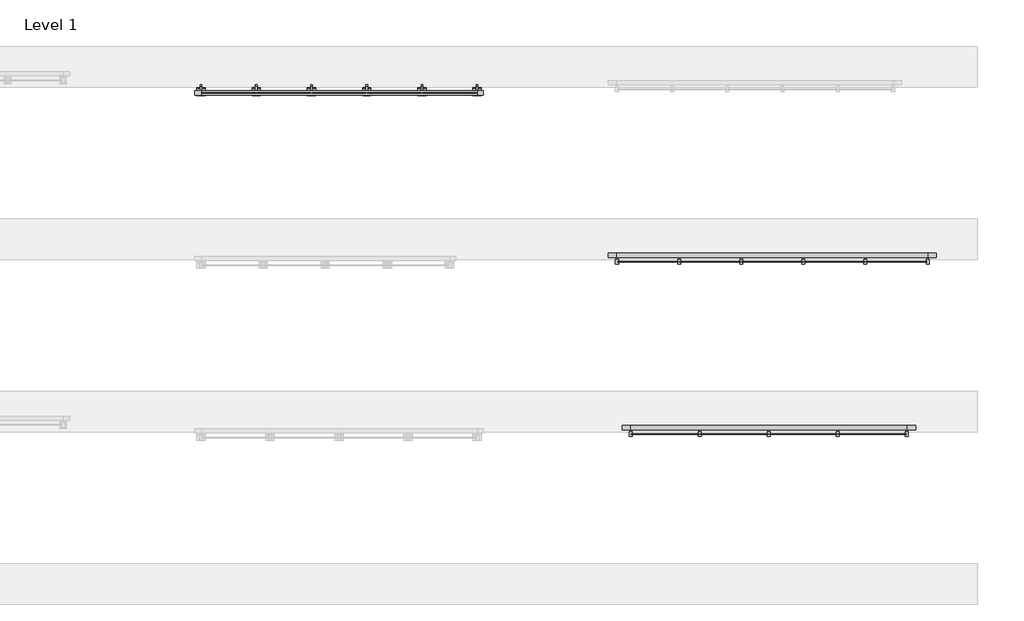
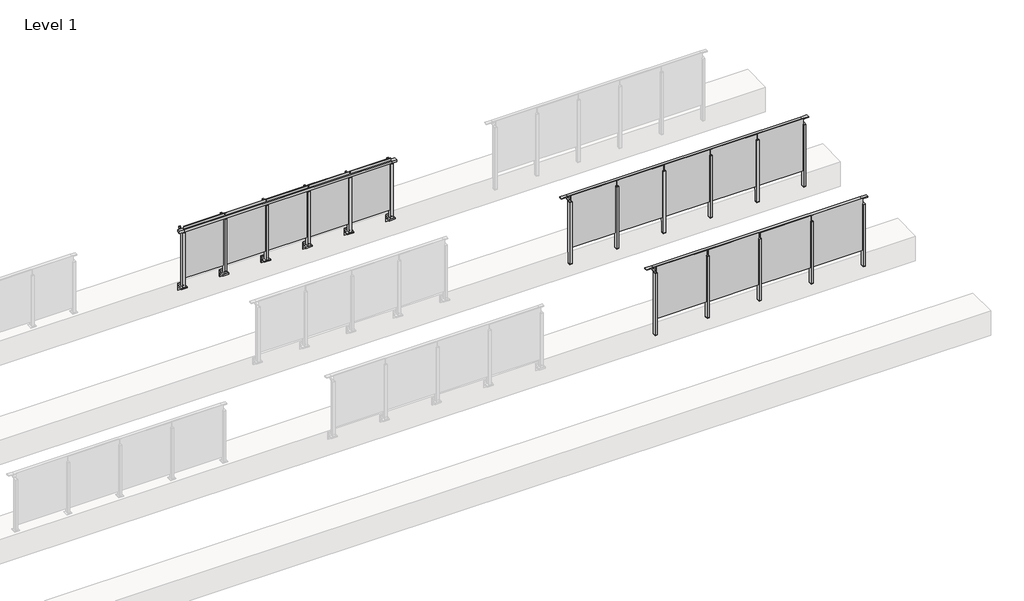
# One storey, part 34 of 37: 3 railings.
"""IFC4 building model written with IfcOpenShell, lengths in millimetres."""

from ifc_helpers import new_model, si_unit, point, frame, frame_2d, origin, place, context, project, spatial, polyline, circle_curve, trimmed, segment, composite_curve, outline, extrude, faceted_brep, element, save

model = new_model("IFC4")

# Units and contexts
model_context = context("Model", 3, world=origin())
ifc_project = project(units=[si_unit("LENGTHUNIT", "METRE", prefix="MILLI")], contexts=[model_context])

# Site, building, storey
site = spatial("IfcSite", under=ifc_project)
building = spatial("IfcBuilding", under=site)
storey = spatial("IfcBuildingStorey", under=building, Name="Level 1", Elevation=0.0)

# Railings
placement = place(None, origin())
element("IfcRailing", 1, at=placement, inside=storey, context=model_context, shape_type="SolidModel", body=[
    faceted_brep([(78227.0, 17493.1846828, 1085.0), (78227.0, 17493.1846828, 1100.0), (82227.0, 17493.1846828, 1100.0), (82227.0, 17493.1846828, 1085.0), (78227.0, 17433.1846828, 1085.0), (82227.0, 17433.1846828, 1085.0), (78227.0, 17433.1846828, 1100.0), (82227.0, 17433.1846828, 1100.0), (78099.5, 17493.1846828, 1100.0), (78099.5, 17493.1846828, 1085.0), (78099.5, 17433.1846828, 1085.0), (78099.5, 17433.1846828, 1100.0), (82354.5, 17493.1846828, 1100.0), (82354.5, 17433.1846828, 1100.0), (82354.5, 17433.1846828, 1085.0), (82354.5, 17493.1846828, 1085.0)], [[[0, 1, 2, 3]], [[4, 0, 3, 5]], [[6, 4, 5, 7]], [[1, 6, 7, 2]], [[8, 9, 10, 11]], [[9, 8, 1, 0]], [[10, 9, 0, 4]], [[11, 10, 4, 6]], [[8, 11, 6, 1]], [[12, 13, 14, 15]], [[3, 2, 12, 15]], [[5, 3, 15, 14]], [[7, 5, 14, 13]], [[2, 7, 13, 12]]]),
    extrude(outline(polyline([(81237.0, 17361.9094929), (81237.0, 17371.9094929), (82217.0, 17371.9094929), (82217.0, 17361.9094929), (81237.0, 17361.9094929)])), frame((0.0, 0.0, 95.0), z_axis=(0.0, 0.0, 1.0), x_axis=(1.0, 0.0, 0.0)), (0.0, 0.0, 1.0), 1055.0),
    extrude(outline(composite_curve([segment(polyline([(17488.1846828, 1085.0), (17488.1846828, 1060.900037)]), True, "CONTINUOUS"), segment(trimmed(circle_curve(frame_2d((17478.1846828, 1060.900037)), 10.0), [point((17488.1846828, 1060.900037))], [point((17480.7728733, 1051.2407787))], False, "CARTESIAN"), True, "CONTINUOUS"), segment(polyline([(17480.7728733, 1051.2407787), (17423.7244733, 1035.9547061)]), True, "CONTINUOUS"), segment(trimmed(circle_curve(frame_2d((17426.3126638, 1026.2954478)), 10.0), [point((17423.7244733, 1035.9547061))], [point((17416.3982152, 1027.6007097))], True, "CARTESIAN"), True, "CONTINUOUS"), segment(polyline([(17416.3982152, 1027.6007097), (17411.791393, 992.6084214)]), True, "CONTINUOUS"), segment(trimmed(circle_curve(frame_2d((17408.8170584, 993.0)), 3.0), [point((17411.791393, 992.6084214))], [point((17408.8170584, 990.0))], False, "CARTESIAN"), True, "CONTINUOUS"), segment(polyline([(17408.8170584, 990.0), (17400.1846828, 990.0), (17400.1846828, 1040.0), (17464.1846828, 1057.1487483), (17464.1846828, 1085.0), (17488.1846828, 1085.0)]), True, "CONTINUOUS")], self_intersect=False)), frame((81214.5, 0.0, 0.0), z_axis=(1.0, 0.0, 0.0), x_axis=(0.0, 1.0, 0.0)), (0.0, 0.0, 1.0), 25.0),
    extrude(outline(polyline([(81249.5, 17400.1846828), (81249.5, 17335.1846828), (81204.5, 17335.1846828), (81204.5, 17400.1846828), (81249.5, 17400.1846828)])), frame((0.0, 0.0, 1040.0), z_axis=(0.0, 0.0, 1.0), x_axis=(1.0, 0.0, 0.0)), (0.0, 0.0, 1.0), 5.0),
    extrude(outline(polyline([(81249.5, 17400.1846828), (81249.5, 17335.1846828), (81204.5, 17335.1846828), (81204.5, 17400.1846828), (81249.5, 17400.1846828)])), frame((0.0, 0.0, -212.0), z_axis=(0.0, 0.0, 1.0), x_axis=(1.0, 0.0, 0.0)), (0.0, 0.0, 1.0), 1252.0),
    extrude(outline(polyline([(81249.5, 17400.1846828), (81249.5, 17335.1846828), (81204.5, 17335.1846828), (81204.5, 17400.1846828), (81249.5, 17400.1846828)])), frame((0.0, 0.0, -220.0), z_axis=(0.0, 0.0, 1.0), x_axis=(1.0, 0.0, 0.0)), (0.0, 0.0, 1.0), 8.0),
    extrude(outline(polyline([(80237.0, 17361.9094929), (80237.0, 17371.9094929), (81217.0, 17371.9094929), (81217.0, 17361.9094929), (80237.0, 17361.9094929)])), frame((0.0, 0.0, 95.0), z_axis=(0.0, 0.0, 1.0), x_axis=(1.0, 0.0, 0.0)), (0.0, 0.0, 1.0), 1055.0),
    extrude(outline(composite_curve([segment(polyline([(17488.1846828, 1085.0), (17488.1846828, 1060.900037)]), True, "CONTINUOUS"), segment(trimmed(circle_curve(frame_2d((17478.1846828, 1060.900037)), 10.0), [point((17488.1846828, 1060.900037))], [point((17480.7728733, 1051.2407787))], False, "CARTESIAN"), True, "CONTINUOUS"), segment(polyline([(17480.7728733, 1051.2407787), (17423.7244733, 1035.9547061)]), True, "CONTINUOUS"), segment(trimmed(circle_curve(frame_2d((17426.3126638, 1026.2954478)), 10.0), [point((17423.7244733, 1035.9547061))], [point((17416.3982152, 1027.6007097))], True, "CARTESIAN"), True, "CONTINUOUS"), segment(polyline([(17416.3982152, 1027.6007097), (17411.791393, 992.6084214)]), True, "CONTINUOUS"), segment(trimmed(circle_curve(frame_2d((17408.8170584, 993.0)), 3.0), [point((17411.791393, 992.6084214))], [point((17408.8170584, 990.0))], False, "CARTESIAN"), True, "CONTINUOUS"), segment(polyline([(17408.8170584, 990.0), (17400.1846828, 990.0), (17400.1846828, 1040.0), (17464.1846828, 1057.1487483), (17464.1846828, 1085.0), (17488.1846828, 1085.0)]), True, "CONTINUOUS")], self_intersect=False)), frame((80214.5, 0.0, 0.0), z_axis=(1.0, 0.0, 0.0), x_axis=(0.0, 1.0, 0.0)), (0.0, 0.0, 1.0), 25.0),
    extrude(outline(polyline([(80249.5, 17400.1846828), (80249.5, 17335.1846828), (80204.5, 17335.1846828), (80204.5, 17400.1846828), (80249.5, 17400.1846828)])), frame((0.0, 0.0, 1040.0), z_axis=(0.0, 0.0, 1.0), x_axis=(1.0, 0.0, 0.0)), (0.0, 0.0, 1.0), 5.0),
    extrude(outline(polyline([(80249.5, 17400.1846828), (80249.5, 17335.1846828), (80204.5, 17335.1846828), (80204.5, 17400.1846828), (80249.5, 17400.1846828)])), frame((0.0, 0.0, -212.0), z_axis=(0.0, 0.0, 1.0), x_axis=(1.0, 0.0, 0.0)), (0.0, 0.0, 1.0), 1252.0),
    extrude(outline(polyline([(80249.5, 17400.1846828), (80249.5, 17335.1846828), (80204.5, 17335.1846828), (80204.5, 17400.1846828), (80249.5, 17400.1846828)])), frame((0.0, 0.0, -220.0), z_axis=(0.0, 0.0, 1.0), x_axis=(1.0, 0.0, 0.0)), (0.0, 0.0, 1.0), 8.0),
    extrude(outline(polyline([(79237.0, 17361.9094929), (79237.0, 17371.9094929), (80217.0, 17371.9094929), (80217.0, 17361.9094929), (79237.0, 17361.9094929)])), frame((0.0, 0.0, 95.0), z_axis=(0.0, 0.0, 1.0), x_axis=(1.0, 0.0, 0.0)), (0.0, 0.0, 1.0), 1055.0),
    extrude(outline(composite_curve([segment(polyline([(17488.1846828, 1085.0), (17488.1846828, 1060.900037)]), True, "CONTINUOUS"), segment(trimmed(circle_curve(frame_2d((17478.1846828, 1060.900037)), 10.0), [point((17488.1846828, 1060.900037))], [point((17480.7728733, 1051.2407787))], False, "CARTESIAN"), True, "CONTINUOUS"), segment(polyline([(17480.7728733, 1051.2407787), (17423.7244733, 1035.9547061)]), True, "CONTINUOUS"), segment(trimmed(circle_curve(frame_2d((17426.3126638, 1026.2954478)), 10.0), [point((17423.7244733, 1035.9547061))], [point((17416.3982152, 1027.6007097))], True, "CARTESIAN"), True, "CONTINUOUS"), segment(polyline([(17416.3982152, 1027.6007097), (17411.791393, 992.6084214)]), True, "CONTINUOUS"), segment(trimmed(circle_curve(frame_2d((17408.8170584, 993.0)), 3.0), [point((17411.791393, 992.6084214))], [point((17408.8170584, 990.0))], False, "CARTESIAN"), True, "CONTINUOUS"), segment(polyline([(17408.8170584, 990.0), (17400.1846828, 990.0), (17400.1846828, 1040.0), (17464.1846828, 1057.1487483), (17464.1846828, 1085.0), (17488.1846828, 1085.0)]), True, "CONTINUOUS")], self_intersect=False)), frame((79214.5, 0.0, 0.0), z_axis=(1.0, 0.0, 0.0), x_axis=(0.0, 1.0, 0.0)), (0.0, 0.0, 1.0), 25.0),
    extrude(outline(polyline([(79249.5, 17400.1846828), (79249.5, 17335.1846828), (79204.5, 17335.1846828), (79204.5, 17400.1846828), (79249.5, 17400.1846828)])), frame((0.0, 0.0, 1040.0), z_axis=(0.0, 0.0, 1.0), x_axis=(1.0, 0.0, 0.0)), (0.0, 0.0, 1.0), 5.0),
    extrude(outline(polyline([(79249.5, 17400.1846828), (79249.5, 17335.1846828), (79204.5, 17335.1846828), (79204.5, 17400.1846828), (79249.5, 17400.1846828)])), frame((0.0, 0.0, -212.0), z_axis=(0.0, 0.0, 1.0), x_axis=(1.0, 0.0, 0.0)), (0.0, 0.0, 1.0), 1252.0),
    extrude(outline(polyline([(79249.5, 17400.1846828), (79249.5, 17335.1846828), (79204.5, 17335.1846828), (79204.5, 17400.1846828), (79249.5, 17400.1846828)])), frame((0.0, 0.0, -220.0), z_axis=(0.0, 0.0, 1.0), x_axis=(1.0, 0.0, 0.0)), (0.0, 0.0, 1.0), 8.0),
    extrude(outline(polyline([(78237.0, 17361.9094929), (78237.0, 17371.9094929), (79217.0, 17371.9094929), (79217.0, 17361.9094929), (78237.0, 17361.9094929)])), frame((0.0, 0.0, 95.0), z_axis=(0.0, 0.0, 1.0), x_axis=(1.0, 0.0, 0.0)), (0.0, 0.0, 1.0), 1055.0),
    extrude(outline(composite_curve([segment(polyline([(17488.1846828, 1085.0), (17488.1846828, 1060.900037)]), True, "CONTINUOUS"), segment(trimmed(circle_curve(frame_2d((17478.1846828, 1060.900037)), 10.0), [point((17488.1846828, 1060.900037))], [point((17480.7728733, 1051.2407787))], False, "CARTESIAN"), True, "CONTINUOUS"), segment(polyline([(17480.7728733, 1051.2407787), (17423.7244733, 1035.9547061)]), True, "CONTINUOUS"), segment(trimmed(circle_curve(frame_2d((17426.3126638, 1026.2954478)), 10.0), [point((17423.7244733, 1035.9547061))], [point((17416.3982152, 1027.6007097))], True, "CARTESIAN"), True, "CONTINUOUS"), segment(polyline([(17416.3982152, 1027.6007097), (17411.791393, 992.6084214)]), True, "CONTINUOUS"), segment(trimmed(circle_curve(frame_2d((17408.8170584, 993.0)), 3.0), [point((17411.791393, 992.6084214))], [point((17408.8170584, 990.0))], False, "CARTESIAN"), True, "CONTINUOUS"), segment(polyline([(17408.8170584, 990.0), (17400.1846828, 990.0), (17400.1846828, 1040.0), (17464.1846828, 1057.1487483), (17464.1846828, 1085.0), (17488.1846828, 1085.0)]), True, "CONTINUOUS")], self_intersect=False)), frame((82214.5, 0.0, 0.0), z_axis=(1.0, 0.0, 0.0), x_axis=(0.0, 1.0, 0.0)), (0.0, 0.0, 1.0), 25.0),
    extrude(outline(polyline([(82249.5, 17400.1846828), (82249.5, 17335.1846828), (82204.5, 17335.1846828), (82204.5, 17400.1846828), (82249.5, 17400.1846828)])), frame((0.0, 0.0, 1040.0), z_axis=(0.0, 0.0, 1.0), x_axis=(1.0, 0.0, 0.0)), (0.0, 0.0, 1.0), 5.0),
    extrude(outline(polyline([(82249.5, 17400.1846828), (82249.5, 17335.1846828), (82204.5, 17335.1846828), (82204.5, 17400.1846828), (82249.5, 17400.1846828)])), frame((0.0, 0.0, -212.0), z_axis=(0.0, 0.0, 1.0), x_axis=(1.0, 0.0, 0.0)), (0.0, 0.0, 1.0), 1252.0),
    extrude(outline(polyline([(82249.5, 17400.1846828), (82249.5, 17335.1846828), (82204.5, 17335.1846828), (82204.5, 17400.1846828), (82249.5, 17400.1846828)])), frame((0.0, 0.0, -220.0), z_axis=(0.0, 0.0, 1.0), x_axis=(1.0, 0.0, 0.0)), (0.0, 0.0, 1.0), 8.0),
    extrude(outline(composite_curve([segment(polyline([(17488.1846828, 1085.0), (17488.1846828, 1060.900037)]), True, "CONTINUOUS"), segment(trimmed(circle_curve(frame_2d((17478.1846828, 1060.900037)), 10.0), [point((17488.1846828, 1060.900037))], [point((17480.7728733, 1051.2407787))], False, "CARTESIAN"), True, "CONTINUOUS"), segment(polyline([(17480.7728733, 1051.2407787), (17423.7244733, 1035.9547061)]), True, "CONTINUOUS"), segment(trimmed(circle_curve(frame_2d((17426.3126638, 1026.2954478)), 10.0), [point((17423.7244733, 1035.9547061))], [point((17416.3982152, 1027.6007097))], True, "CARTESIAN"), True, "CONTINUOUS"), segment(polyline([(17416.3982152, 1027.6007097), (17411.791393, 992.6084214)]), True, "CONTINUOUS"), segment(trimmed(circle_curve(frame_2d((17408.8170584, 993.0)), 3.0), [point((17411.791393, 992.6084214))], [point((17408.8170584, 990.0))], False, "CARTESIAN"), True, "CONTINUOUS"), segment(polyline([(17408.8170584, 990.0), (17400.1846828, 990.0), (17400.1846828, 1040.0), (17464.1846828, 1057.1487483), (17464.1846828, 1085.0), (17488.1846828, 1085.0)]), True, "CONTINUOUS")], self_intersect=False)), frame((78214.5, 0.0, 0.0), z_axis=(1.0, 0.0, 0.0), x_axis=(0.0, 1.0, 0.0)), (0.0, 0.0, 1.0), 25.0),
    extrude(outline(polyline([(78249.5, 17400.1846828), (78249.5, 17335.1846828), (78204.5, 17335.1846828), (78204.5, 17400.1846828), (78249.5, 17400.1846828)])), frame((0.0, 0.0, 1040.0), z_axis=(0.0, 0.0, 1.0), x_axis=(1.0, 0.0, 0.0)), (0.0, 0.0, 1.0), 5.0),
    extrude(outline(polyline([(78249.5, 17400.1846828), (78249.5, 17335.1846828), (78204.5, 17335.1846828), (78204.5, 17400.1846828), (78249.5, 17400.1846828)])), frame((0.0, 0.0, -212.0), z_axis=(0.0, 0.0, 1.0), x_axis=(1.0, 0.0, 0.0)), (0.0, 0.0, 1.0), 1252.0),
    extrude(outline(polyline([(78249.5, 17400.1846828), (78249.5, 17335.1846828), (78204.5, 17335.1846828), (78204.5, 17400.1846828), (78249.5, 17400.1846828)])), frame((0.0, 0.0, -220.0), z_axis=(0.0, 0.0, 1.0), x_axis=(1.0, 0.0, 0.0)), (0.0, 0.0, 1.0), 8.0),
])
element("IfcRailing", 2, at=placement, inside=storey, context=model_context, shape_type="SolidModel", body=[
    faceted_brep([(78027.0, 19993.1846828, 1085.0), (78027.0, 19993.1846828, 1100.0), (82527.0, 19993.1846828, 1100.0), (82527.0, 19993.1846828, 1085.0), (78027.0, 19933.1846828, 1085.0), (82527.0, 19933.1846828, 1085.0), (78027.0, 19933.1846828, 1100.0), (82527.0, 19933.1846828, 1100.0), (77899.5, 19993.1846828, 1100.0), (77899.5, 19993.1846828, 1085.0), (77899.5, 19933.1846828, 1085.0), (77899.5, 19933.1846828, 1100.0), (82654.5, 19993.1846828, 1100.0), (82654.5, 19933.1846828, 1100.0), (82654.5, 19933.1846828, 1085.0), (82654.5, 19993.1846828, 1085.0)], [[[0, 1, 2, 3]], [[4, 0, 3, 5]], [[6, 4, 5, 7]], [[1, 6, 7, 2]], [[8, 9, 10, 11]], [[9, 8, 1, 0]], [[10, 9, 0, 4]], [[11, 10, 4, 6]], [[8, 11, 6, 1]], [[12, 13, 14, 15]], [[3, 2, 12, 15]], [[5, 3, 15, 14]], [[7, 5, 14, 13]], [[2, 7, 13, 12]]]),
    extrude(outline(polyline([(81637.0, 19861.9094929), (81637.0, 19871.9094929), (82517.0, 19871.9094929), (82517.0, 19861.9094929), (81637.0, 19861.9094929)])), frame((0.0, 0.0, 95.0), z_axis=(0.0, 0.0, 1.0), x_axis=(1.0, 0.0, 0.0)), (0.0, 0.0, 1.0), 1055.0),
    extrude(outline(composite_curve([segment(polyline([(19988.1846828, 1085.0), (19988.1846828, 1060.900037)]), True, "CONTINUOUS"), segment(trimmed(circle_curve(frame_2d((19978.1846828, 1060.900037)), 10.0), [point((19988.1846828, 1060.900037))], [point((19980.7728733, 1051.2407787))], False, "CARTESIAN"), True, "CONTINUOUS"), segment(polyline([(19980.7728733, 1051.2407787), (19923.7244733, 1035.9547061)]), True, "CONTINUOUS"), segment(trimmed(circle_curve(frame_2d((19926.3126638, 1026.2954478)), 10.0), [point((19923.7244733, 1035.9547061))], [point((19916.3982152, 1027.6007097))], True, "CARTESIAN"), True, "CONTINUOUS"), segment(polyline([(19916.3982152, 1027.6007097), (19911.791393, 992.6084214)]), True, "CONTINUOUS"), segment(trimmed(circle_curve(frame_2d((19908.8170584, 993.0)), 3.0), [point((19911.791393, 992.6084214))], [point((19908.8170584, 990.0))], False, "CARTESIAN"), True, "CONTINUOUS"), segment(polyline([(19908.8170584, 990.0), (19900.1846828, 990.0), (19900.1846828, 1040.0), (19964.1846828, 1057.1487483), (19964.1846828, 1085.0), (19988.1846828, 1085.0)]), True, "CONTINUOUS")], self_intersect=False)), frame((81614.5, 0.0, 0.0), z_axis=(1.0, 0.0, 0.0), x_axis=(0.0, 1.0, 0.0)), (0.0, 0.0, 1.0), 25.0),
    extrude(outline(polyline([(81649.5, 19900.1846828), (81649.5, 19835.1846828), (81604.5, 19835.1846828), (81604.5, 19900.1846828), (81649.5, 19900.1846828)])), frame((0.0, 0.0, 1040.0), z_axis=(0.0, 0.0, 1.0), x_axis=(1.0, 0.0, 0.0)), (0.0, 0.0, 1.0), 5.0),
    extrude(outline(polyline([(81649.5, 19900.1846828), (81649.5, 19835.1846828), (81604.5, 19835.1846828), (81604.5, 19900.1846828), (81649.5, 19900.1846828)])), frame((0.0, 0.0, -212.0), z_axis=(0.0, 0.0, 1.0), x_axis=(1.0, 0.0, 0.0)), (0.0, 0.0, 1.0), 1252.0),
    extrude(outline(polyline([(81649.5, 19900.1846828), (81649.5, 19835.1846828), (81604.5, 19835.1846828), (81604.5, 19900.1846828), (81649.5, 19900.1846828)])), frame((0.0, 0.0, -220.0), z_axis=(0.0, 0.0, 1.0), x_axis=(1.0, 0.0, 0.0)), (0.0, 0.0, 1.0), 8.0),
    extrude(outline(polyline([(80737.0, 19861.9094929), (80737.0, 19871.9094929), (81617.0, 19871.9094929), (81617.0, 19861.9094929), (80737.0, 19861.9094929)])), frame((0.0, 0.0, 95.0), z_axis=(0.0, 0.0, 1.0), x_axis=(1.0, 0.0, 0.0)), (0.0, 0.0, 1.0), 1055.0),
    extrude(outline(composite_curve([segment(polyline([(19988.1846828, 1085.0), (19988.1846828, 1060.900037)]), True, "CONTINUOUS"), segment(trimmed(circle_curve(frame_2d((19978.1846828, 1060.900037)), 10.0), [point((19988.1846828, 1060.900037))], [point((19980.7728733, 1051.2407787))], False, "CARTESIAN"), True, "CONTINUOUS"), segment(polyline([(19980.7728733, 1051.2407787), (19923.7244733, 1035.9547061)]), True, "CONTINUOUS"), segment(trimmed(circle_curve(frame_2d((19926.3126638, 1026.2954478)), 10.0), [point((19923.7244733, 1035.9547061))], [point((19916.3982152, 1027.6007097))], True, "CARTESIAN"), True, "CONTINUOUS"), segment(polyline([(19916.3982152, 1027.6007097), (19911.791393, 992.6084214)]), True, "CONTINUOUS"), segment(trimmed(circle_curve(frame_2d((19908.8170584, 993.0)), 3.0), [point((19911.791393, 992.6084214))], [point((19908.8170584, 990.0))], False, "CARTESIAN"), True, "CONTINUOUS"), segment(polyline([(19908.8170584, 990.0), (19900.1846828, 990.0), (19900.1846828, 1040.0), (19964.1846828, 1057.1487483), (19964.1846828, 1085.0), (19988.1846828, 1085.0)]), True, "CONTINUOUS")], self_intersect=False)), frame((80714.5, 0.0, 0.0), z_axis=(1.0, 0.0, 0.0), x_axis=(0.0, 1.0, 0.0)), (0.0, 0.0, 1.0), 25.0),
    extrude(outline(polyline([(80749.5, 19900.1846828), (80749.5, 19835.1846828), (80704.5, 19835.1846828), (80704.5, 19900.1846828), (80749.5, 19900.1846828)])), frame((0.0, 0.0, 1040.0), z_axis=(0.0, 0.0, 1.0), x_axis=(1.0, 0.0, 0.0)), (0.0, 0.0, 1.0), 5.0),
    extrude(outline(polyline([(80749.5, 19900.1846828), (80749.5, 19835.1846828), (80704.5, 19835.1846828), (80704.5, 19900.1846828), (80749.5, 19900.1846828)])), frame((0.0, 0.0, -212.0), z_axis=(0.0, 0.0, 1.0), x_axis=(1.0, 0.0, 0.0)), (0.0, 0.0, 1.0), 1252.0),
    extrude(outline(polyline([(80749.5, 19900.1846828), (80749.5, 19835.1846828), (80704.5, 19835.1846828), (80704.5, 19900.1846828), (80749.5, 19900.1846828)])), frame((0.0, 0.0, -220.0), z_axis=(0.0, 0.0, 1.0), x_axis=(1.0, 0.0, 0.0)), (0.0, 0.0, 1.0), 8.0),
    extrude(outline(polyline([(79837.0, 19861.9094929), (79837.0, 19871.9094929), (80717.0, 19871.9094929), (80717.0, 19861.9094929), (79837.0, 19861.9094929)])), frame((0.0, 0.0, 95.0), z_axis=(0.0, 0.0, 1.0), x_axis=(1.0, 0.0, 0.0)), (0.0, 0.0, 1.0), 1055.0),
    extrude(outline(composite_curve([segment(polyline([(19988.1846828, 1085.0), (19988.1846828, 1060.900037)]), True, "CONTINUOUS"), segment(trimmed(circle_curve(frame_2d((19978.1846828, 1060.900037)), 10.0), [point((19988.1846828, 1060.900037))], [point((19980.7728733, 1051.2407787))], False, "CARTESIAN"), True, "CONTINUOUS"), segment(polyline([(19980.7728733, 1051.2407787), (19923.7244733, 1035.9547061)]), True, "CONTINUOUS"), segment(trimmed(circle_curve(frame_2d((19926.3126638, 1026.2954478)), 10.0), [point((19923.7244733, 1035.9547061))], [point((19916.3982152, 1027.6007097))], True, "CARTESIAN"), True, "CONTINUOUS"), segment(polyline([(19916.3982152, 1027.6007097), (19911.791393, 992.6084214)]), True, "CONTINUOUS"), segment(trimmed(circle_curve(frame_2d((19908.8170584, 993.0)), 3.0), [point((19911.791393, 992.6084214))], [point((19908.8170584, 990.0))], False, "CARTESIAN"), True, "CONTINUOUS"), segment(polyline([(19908.8170584, 990.0), (19900.1846828, 990.0), (19900.1846828, 1040.0), (19964.1846828, 1057.1487483), (19964.1846828, 1085.0), (19988.1846828, 1085.0)]), True, "CONTINUOUS")], self_intersect=False)), frame((79814.5, 0.0, 0.0), z_axis=(1.0, 0.0, 0.0), x_axis=(0.0, 1.0, 0.0)), (0.0, 0.0, 1.0), 25.0),
    extrude(outline(polyline([(79849.5, 19900.1846828), (79849.5, 19835.1846828), (79804.5, 19835.1846828), (79804.5, 19900.1846828), (79849.5, 19900.1846828)])), frame((0.0, 0.0, 1040.0), z_axis=(0.0, 0.0, 1.0), x_axis=(1.0, 0.0, 0.0)), (0.0, 0.0, 1.0), 5.0),
    extrude(outline(polyline([(79849.5, 19900.1846828), (79849.5, 19835.1846828), (79804.5, 19835.1846828), (79804.5, 19900.1846828), (79849.5, 19900.1846828)])), frame((0.0, 0.0, -212.0), z_axis=(0.0, 0.0, 1.0), x_axis=(1.0, 0.0, 0.0)), (0.0, 0.0, 1.0), 1252.0),
    extrude(outline(polyline([(79849.5, 19900.1846828), (79849.5, 19835.1846828), (79804.5, 19835.1846828), (79804.5, 19900.1846828), (79849.5, 19900.1846828)])), frame((0.0, 0.0, -220.0), z_axis=(0.0, 0.0, 1.0), x_axis=(1.0, 0.0, 0.0)), (0.0, 0.0, 1.0), 8.0),
    extrude(outline(polyline([(78937.0, 19861.9094929), (78937.0, 19871.9094929), (79817.0, 19871.9094929), (79817.0, 19861.9094929), (78937.0, 19861.9094929)])), frame((0.0, 0.0, 95.0), z_axis=(0.0, 0.0, 1.0), x_axis=(1.0, 0.0, 0.0)), (0.0, 0.0, 1.0), 1055.0),
    extrude(outline(composite_curve([segment(polyline([(19988.1846828, 1085.0), (19988.1846828, 1060.900037)]), True, "CONTINUOUS"), segment(trimmed(circle_curve(frame_2d((19978.1846828, 1060.900037)), 10.0), [point((19988.1846828, 1060.900037))], [point((19980.7728733, 1051.2407787))], False, "CARTESIAN"), True, "CONTINUOUS"), segment(polyline([(19980.7728733, 1051.2407787), (19923.7244733, 1035.9547061)]), True, "CONTINUOUS"), segment(trimmed(circle_curve(frame_2d((19926.3126638, 1026.2954478)), 10.0), [point((19923.7244733, 1035.9547061))], [point((19916.3982152, 1027.6007097))], True, "CARTESIAN"), True, "CONTINUOUS"), segment(polyline([(19916.3982152, 1027.6007097), (19911.791393, 992.6084214)]), True, "CONTINUOUS"), segment(trimmed(circle_curve(frame_2d((19908.8170584, 993.0)), 3.0), [point((19911.791393, 992.6084214))], [point((19908.8170584, 990.0))], False, "CARTESIAN"), True, "CONTINUOUS"), segment(polyline([(19908.8170584, 990.0), (19900.1846828, 990.0), (19900.1846828, 1040.0), (19964.1846828, 1057.1487483), (19964.1846828, 1085.0), (19988.1846828, 1085.0)]), True, "CONTINUOUS")], self_intersect=False)), frame((78914.5, 0.0, 0.0), z_axis=(1.0, 0.0, 0.0), x_axis=(0.0, 1.0, 0.0)), (0.0, 0.0, 1.0), 25.0),
    extrude(outline(polyline([(78949.5, 19900.1846828), (78949.5, 19835.1846828), (78904.5, 19835.1846828), (78904.5, 19900.1846828), (78949.5, 19900.1846828)])), frame((0.0, 0.0, 1040.0), z_axis=(0.0, 0.0, 1.0), x_axis=(1.0, 0.0, 0.0)), (0.0, 0.0, 1.0), 5.0),
    extrude(outline(polyline([(78949.5, 19900.1846828), (78949.5, 19835.1846828), (78904.5, 19835.1846828), (78904.5, 19900.1846828), (78949.5, 19900.1846828)])), frame((0.0, 0.0, -212.0), z_axis=(0.0, 0.0, 1.0), x_axis=(1.0, 0.0, 0.0)), (0.0, 0.0, 1.0), 1252.0),
    extrude(outline(polyline([(78949.5, 19900.1846828), (78949.5, 19835.1846828), (78904.5, 19835.1846828), (78904.5, 19900.1846828), (78949.5, 19900.1846828)])), frame((0.0, 0.0, -220.0), z_axis=(0.0, 0.0, 1.0), x_axis=(1.0, 0.0, 0.0)), (0.0, 0.0, 1.0), 8.0),
    extrude(outline(polyline([(78037.0, 19861.9094929), (78037.0, 19871.9094929), (78917.0, 19871.9094929), (78917.0, 19861.9094929), (78037.0, 19861.9094929)])), frame((0.0, 0.0, 95.0), z_axis=(0.0, 0.0, 1.0), x_axis=(1.0, 0.0, 0.0)), (0.0, 0.0, 1.0), 1055.0),
    extrude(outline(composite_curve([segment(polyline([(19988.1846828, 1085.0), (19988.1846828, 1060.900037)]), True, "CONTINUOUS"), segment(trimmed(circle_curve(frame_2d((19978.1846828, 1060.900037)), 10.0), [point((19988.1846828, 1060.900037))], [point((19980.7728733, 1051.2407787))], False, "CARTESIAN"), True, "CONTINUOUS"), segment(polyline([(19980.7728733, 1051.2407787), (19923.7244733, 1035.9547061)]), True, "CONTINUOUS"), segment(trimmed(circle_curve(frame_2d((19926.3126638, 1026.2954478)), 10.0), [point((19923.7244733, 1035.9547061))], [point((19916.3982152, 1027.6007097))], True, "CARTESIAN"), True, "CONTINUOUS"), segment(polyline([(19916.3982152, 1027.6007097), (19911.791393, 992.6084214)]), True, "CONTINUOUS"), segment(trimmed(circle_curve(frame_2d((19908.8170584, 993.0)), 3.0), [point((19911.791393, 992.6084214))], [point((19908.8170584, 990.0))], False, "CARTESIAN"), True, "CONTINUOUS"), segment(polyline([(19908.8170584, 990.0), (19900.1846828, 990.0), (19900.1846828, 1040.0), (19964.1846828, 1057.1487483), (19964.1846828, 1085.0), (19988.1846828, 1085.0)]), True, "CONTINUOUS")], self_intersect=False)), frame((82514.5, 0.0, 0.0), z_axis=(1.0, 0.0, 0.0), x_axis=(0.0, 1.0, 0.0)), (0.0, 0.0, 1.0), 25.0),
    extrude(outline(polyline([(82549.5, 19900.1846828), (82549.5, 19835.1846828), (82504.5, 19835.1846828), (82504.5, 19900.1846828), (82549.5, 19900.1846828)])), frame((0.0, 0.0, 1040.0), z_axis=(0.0, 0.0, 1.0), x_axis=(1.0, 0.0, 0.0)), (0.0, 0.0, 1.0), 5.0),
    extrude(outline(polyline([(82549.5, 19900.1846828), (82549.5, 19835.1846828), (82504.5, 19835.1846828), (82504.5, 19900.1846828), (82549.5, 19900.1846828)])), frame((0.0, 0.0, -212.0), z_axis=(0.0, 0.0, 1.0), x_axis=(1.0, 0.0, 0.0)), (0.0, 0.0, 1.0), 1252.0),
    extrude(outline(polyline([(82549.5, 19900.1846828), (82549.5, 19835.1846828), (82504.5, 19835.1846828), (82504.5, 19900.1846828), (82549.5, 19900.1846828)])), frame((0.0, 0.0, -220.0), z_axis=(0.0, 0.0, 1.0), x_axis=(1.0, 0.0, 0.0)), (0.0, 0.0, 1.0), 8.0),
    extrude(outline(composite_curve([segment(polyline([(19988.1846828, 1085.0), (19988.1846828, 1060.900037)]), True, "CONTINUOUS"), segment(trimmed(circle_curve(frame_2d((19978.1846828, 1060.900037)), 10.0), [point((19988.1846828, 1060.900037))], [point((19980.7728733, 1051.2407787))], False, "CARTESIAN"), True, "CONTINUOUS"), segment(polyline([(19980.7728733, 1051.2407787), (19923.7244733, 1035.9547061)]), True, "CONTINUOUS"), segment(trimmed(circle_curve(frame_2d((19926.3126638, 1026.2954478)), 10.0), [point((19923.7244733, 1035.9547061))], [point((19916.3982152, 1027.6007097))], True, "CARTESIAN"), True, "CONTINUOUS"), segment(polyline([(19916.3982152, 1027.6007097), (19911.791393, 992.6084214)]), True, "CONTINUOUS"), segment(trimmed(circle_curve(frame_2d((19908.8170584, 993.0)), 3.0), [point((19911.791393, 992.6084214))], [point((19908.8170584, 990.0))], False, "CARTESIAN"), True, "CONTINUOUS"), segment(polyline([(19908.8170584, 990.0), (19900.1846828, 990.0), (19900.1846828, 1040.0), (19964.1846828, 1057.1487483), (19964.1846828, 1085.0), (19988.1846828, 1085.0)]), True, "CONTINUOUS")], self_intersect=False)), frame((78014.5, 0.0, 0.0), z_axis=(1.0, 0.0, 0.0), x_axis=(0.0, 1.0, 0.0)), (0.0, 0.0, 1.0), 25.0),
    extrude(outline(polyline([(78049.5, 19900.1846828), (78049.5, 19835.1846828), (78004.5, 19835.1846828), (78004.5, 19900.1846828), (78049.5, 19900.1846828)])), frame((0.0, 0.0, 1040.0), z_axis=(0.0, 0.0, 1.0), x_axis=(1.0, 0.0, 0.0)), (0.0, 0.0, 1.0), 5.0),
    extrude(outline(polyline([(78049.5, 19900.1846828), (78049.5, 19835.1846828), (78004.5, 19835.1846828), (78004.5, 19900.1846828), (78049.5, 19900.1846828)])), frame((0.0, 0.0, -212.0), z_axis=(0.0, 0.0, 1.0), x_axis=(1.0, 0.0, 0.0)), (0.0, 0.0, 1.0), 1252.0),
    extrude(outline(polyline([(78049.5, 19900.1846828), (78049.5, 19835.1846828), (78004.5, 19835.1846828), (78004.5, 19900.1846828), (78049.5, 19900.1846828)])), frame((0.0, 0.0, -220.0), z_axis=(0.0, 0.0, 1.0), x_axis=(1.0, 0.0, 0.0)), (0.0, 0.0, 1.0), 8.0),
])
element("IfcRailing", 3, at=placement, inside=storey, context=model_context, shape_type="SolidModel", body=[
    faceted_brep([(71910.0, 22347.6846828, 1100.0), (71910.0, 22347.6846828, 1055.0), (71910.0, 22287.6846828, 1055.0), (71910.0, 22287.6846828, 1100.0), (72000.0, 22347.6846828, 1100.0), (72000.0, 22347.6846828, 1055.0), (72000.0, 22287.6846828, 1055.0), (72000.0, 22287.6846828, 1100.0), (76000.0, 22347.6846828, 1100.0), (76000.0, 22347.6846828, 1055.0), (76000.0, 22287.6846828, 1055.0), (76000.0, 22287.6846828, 1100.0), (76090.0, 22347.6846828, 1100.0), (76090.0, 22287.6846828, 1100.0), (76090.0, 22287.6846828, 1055.0), (76090.0, 22347.6846828, 1055.0)], [[[0, 1, 2, 3]], [[1, 0, 4, 5]], [[2, 1, 5, 6]], [[3, 2, 6, 7]], [[0, 3, 7, 4]], [[5, 4, 8, 9]], [[6, 5, 9, 10]], [[7, 6, 10, 11]], [[4, 7, 11, 8]], [[12, 13, 14, 15]], [[9, 8, 12, 15]], [[10, 9, 15, 14]], [[11, 10, 14, 13]], [[8, 11, 13, 12]]]),
    extrude(outline(polyline([(75210.0, 22311.9094929), (75210.0, 22321.9094929), (75990.0, 22321.9094929), (75990.0, 22311.9094929), (75210.0, 22311.9094929)])), frame((0.0, 0.0, 95.0), z_axis=(0.0, 0.0, 1.0), x_axis=(1.0, 0.0, 0.0)), (0.0, 0.0, 1.0), 1055.0),
    extrude(outline(composite_curve([segment(polyline([(22438.1846828, 1085.0), (22438.1846828, 1060.900037)]), True, "CONTINUOUS"), segment(trimmed(circle_curve(frame_2d((22428.1846828, 1060.900037)), 10.0), [point((22438.1846828, 1060.900037))], [point((22430.7728733, 1051.2407787))], False, "CARTESIAN"), True, "CONTINUOUS"), segment(polyline([(22430.7728733, 1051.2407787), (22373.7244733, 1035.9547061)]), True, "CONTINUOUS"), segment(trimmed(circle_curve(frame_2d((22376.3126638, 1026.2954478)), 10.0), [point((22373.7244733, 1035.9547061))], [point((22366.3982152, 1027.6007097))], True, "CARTESIAN"), True, "CONTINUOUS"), segment(polyline([(22366.3982152, 1027.6007097), (22361.791393, 992.6084214)]), True, "CONTINUOUS"), segment(trimmed(circle_curve(frame_2d((22358.8170584, 993.0)), 3.0), [point((22361.791393, 992.6084214))], [point((22358.8170584, 990.0))], False, "CARTESIAN"), True, "CONTINUOUS"), segment(polyline([(22358.8170584, 990.0), (22350.1846828, 990.0), (22350.1846828, 1040.0), (22414.1846828, 1057.1487483), (22414.1846828, 1085.0), (22438.1846828, 1085.0)]), True, "CONTINUOUS")], self_intersect=False)), frame((75187.5, 0.0, 0.0), z_axis=(1.0, 0.0, 0.0), x_axis=(0.0, 1.0, 0.0)), (0.0, 0.0, 1.0), 25.0),
    extrude(outline(composite_curve([segment(polyline([(22350.1846828, -70.0), (22384.1846828, -63.0), (22384.1846828, -32.5), (22400.1846828, -32.5), (22400.1846828, -167.5), (22384.1846828, -167.5), (22384.1846828, -113.5)]), True, "CONTINUOUS"), segment(trimmed(circle_curve(frame_2d((22364.1846828, -113.5)), 20.0), [point((22384.1846828, -113.5))], [point((22364.1846828, -93.5))], True, "CARTESIAN"), True, "CONTINUOUS"), segment(polyline([(22364.1846828, -93.5), (22280.1846828, -93.5), (22280.1846828, -70.0), (22350.1846828, -70.0)]), True, "CONTINUOUS")], self_intersect=False)), frame((75140.0, 0.0, 0.0), z_axis=(1.0, 0.0, 0.0), x_axis=(0.0, 1.0, 0.0)), (0.0, 0.0, 1.0), 120.0),
    extrude(outline(polyline([(75222.5, 22350.1846828), (75222.5, 22285.1846828), (75177.5, 22285.1846828), (75177.5, 22350.1846828), (75222.5, 22350.1846828)])), frame((0.0, 0.0, -70.0), z_axis=(0.0, 0.0, 1.0), x_axis=(1.0, 0.0, 0.0)), (0.0, 0.0, 1.0), 1110.0),
    extrude(outline(polyline([(75222.5, 22350.1846828), (75222.5, 22285.1846828), (75177.5, 22285.1846828), (75177.5, 22350.1846828), (75222.5, 22350.1846828)])), frame((0.0, 0.0, 1040.0), z_axis=(0.0, 0.0, 1.0), x_axis=(1.0, 0.0, 0.0)), (0.0, 0.0, 1.0), 5.0),
    extrude(outline(polyline([(74410.0, 22311.9094929), (74410.0, 22321.9094929), (75190.0, 22321.9094929), (75190.0, 22311.9094929), (74410.0, 22311.9094929)])), frame((0.0, 0.0, 95.0), z_axis=(0.0, 0.0, 1.0), x_axis=(1.0, 0.0, 0.0)), (0.0, 0.0, 1.0), 1055.0),
    extrude(outline(composite_curve([segment(polyline([(22438.1846828, 1085.0), (22438.1846828, 1060.900037)]), True, "CONTINUOUS"), segment(trimmed(circle_curve(frame_2d((22428.1846828, 1060.900037)), 10.0), [point((22438.1846828, 1060.900037))], [point((22430.7728733, 1051.2407787))], False, "CARTESIAN"), True, "CONTINUOUS"), segment(polyline([(22430.7728733, 1051.2407787), (22373.7244733, 1035.9547061)]), True, "CONTINUOUS"), segment(trimmed(circle_curve(frame_2d((22376.3126638, 1026.2954478)), 10.0), [point((22373.7244733, 1035.9547061))], [point((22366.3982152, 1027.6007097))], True, "CARTESIAN"), True, "CONTINUOUS"), segment(polyline([(22366.3982152, 1027.6007097), (22361.791393, 992.6084214)]), True, "CONTINUOUS"), segment(trimmed(circle_curve(frame_2d((22358.8170584, 993.0)), 3.0), [point((22361.791393, 992.6084214))], [point((22358.8170584, 990.0))], False, "CARTESIAN"), True, "CONTINUOUS"), segment(polyline([(22358.8170584, 990.0), (22350.1846828, 990.0), (22350.1846828, 1040.0), (22414.1846828, 1057.1487483), (22414.1846828, 1085.0), (22438.1846828, 1085.0)]), True, "CONTINUOUS")], self_intersect=False)), frame((74387.5, 0.0, 0.0), z_axis=(1.0, 0.0, 0.0), x_axis=(0.0, 1.0, 0.0)), (0.0, 0.0, 1.0), 25.0),
    extrude(outline(composite_curve([segment(polyline([(22350.1846828, -70.0), (22384.1846828, -63.0), (22384.1846828, -32.5), (22400.1846828, -32.5), (22400.1846828, -167.5), (22384.1846828, -167.5), (22384.1846828, -113.5)]), True, "CONTINUOUS"), segment(trimmed(circle_curve(frame_2d((22364.1846828, -113.5)), 20.0), [point((22384.1846828, -113.5))], [point((22364.1846828, -93.5))], True, "CARTESIAN"), True, "CONTINUOUS"), segment(polyline([(22364.1846828, -93.5), (22280.1846828, -93.5), (22280.1846828, -70.0), (22350.1846828, -70.0)]), True, "CONTINUOUS")], self_intersect=False)), frame((74340.0, 0.0, 0.0), z_axis=(1.0, 0.0, 0.0), x_axis=(0.0, 1.0, 0.0)), (0.0, 0.0, 1.0), 120.0),
    extrude(outline(polyline([(74422.5, 22350.1846828), (74422.5, 22285.1846828), (74377.5, 22285.1846828), (74377.5, 22350.1846828), (74422.5, 22350.1846828)])), frame((0.0, 0.0, -70.0), z_axis=(0.0, 0.0, 1.0), x_axis=(1.0, 0.0, 0.0)), (0.0, 0.0, 1.0), 1110.0),
    extrude(outline(polyline([(74422.5, 22350.1846828), (74422.5, 22285.1846828), (74377.5, 22285.1846828), (74377.5, 22350.1846828), (74422.5, 22350.1846828)])), frame((0.0, 0.0, 1040.0), z_axis=(0.0, 0.0, 1.0), x_axis=(1.0, 0.0, 0.0)), (0.0, 0.0, 1.0), 5.0),
    extrude(outline(polyline([(73610.0, 22311.9094929), (73610.0, 22321.9094929), (74390.0, 22321.9094929), (74390.0, 22311.9094929), (73610.0, 22311.9094929)])), frame((0.0, 0.0, 95.0), z_axis=(0.0, 0.0, 1.0), x_axis=(1.0, 0.0, 0.0)), (0.0, 0.0, 1.0), 1055.0),
    extrude(outline(composite_curve([segment(polyline([(22438.1846828, 1085.0), (22438.1846828, 1060.900037)]), True, "CONTINUOUS"), segment(trimmed(circle_curve(frame_2d((22428.1846828, 1060.900037)), 10.0), [point((22438.1846828, 1060.900037))], [point((22430.7728733, 1051.2407787))], False, "CARTESIAN"), True, "CONTINUOUS"), segment(polyline([(22430.7728733, 1051.2407787), (22373.7244733, 1035.9547061)]), True, "CONTINUOUS"), segment(trimmed(circle_curve(frame_2d((22376.3126638, 1026.2954478)), 10.0), [point((22373.7244733, 1035.9547061))], [point((22366.3982152, 1027.6007097))], True, "CARTESIAN"), True, "CONTINUOUS"), segment(polyline([(22366.3982152, 1027.6007097), (22361.791393, 992.6084214)]), True, "CONTINUOUS"), segment(trimmed(circle_curve(frame_2d((22358.8170584, 993.0)), 3.0), [point((22361.791393, 992.6084214))], [point((22358.8170584, 990.0))], False, "CARTESIAN"), True, "CONTINUOUS"), segment(polyline([(22358.8170584, 990.0), (22350.1846828, 990.0), (22350.1846828, 1040.0), (22414.1846828, 1057.1487483), (22414.1846828, 1085.0), (22438.1846828, 1085.0)]), True, "CONTINUOUS")], self_intersect=False)), frame((73587.5, 0.0, 0.0), z_axis=(1.0, 0.0, 0.0), x_axis=(0.0, 1.0, 0.0)), (0.0, 0.0, 1.0), 25.0),
    extrude(outline(composite_curve([segment(polyline([(22350.1846828, -70.0), (22384.1846828, -63.0), (22384.1846828, -32.5), (22400.1846828, -32.5), (22400.1846828, -167.5), (22384.1846828, -167.5), (22384.1846828, -113.5)]), True, "CONTINUOUS"), segment(trimmed(circle_curve(frame_2d((22364.1846828, -113.5)), 20.0), [point((22384.1846828, -113.5))], [point((22364.1846828, -93.5))], True, "CARTESIAN"), True, "CONTINUOUS"), segment(polyline([(22364.1846828, -93.5), (22280.1846828, -93.5), (22280.1846828, -70.0), (22350.1846828, -70.0)]), True, "CONTINUOUS")], self_intersect=False)), frame((73540.0, 0.0, 0.0), z_axis=(1.0, 0.0, 0.0), x_axis=(0.0, 1.0, 0.0)), (0.0, 0.0, 1.0), 120.0),
    extrude(outline(polyline([(73622.5, 22350.1846828), (73622.5, 22285.1846828), (73577.5, 22285.1846828), (73577.5, 22350.1846828), (73622.5, 22350.1846828)])), frame((0.0, 0.0, -70.0), z_axis=(0.0, 0.0, 1.0), x_axis=(1.0, 0.0, 0.0)), (0.0, 0.0, 1.0), 1110.0),
    extrude(outline(polyline([(73622.5, 22350.1846828), (73622.5, 22285.1846828), (73577.5, 22285.1846828), (73577.5, 22350.1846828), (73622.5, 22350.1846828)])), frame((0.0, 0.0, 1040.0), z_axis=(0.0, 0.0, 1.0), x_axis=(1.0, 0.0, 0.0)), (0.0, 0.0, 1.0), 5.0),
    extrude(outline(polyline([(72810.0, 22311.9094929), (72810.0, 22321.9094929), (73590.0, 22321.9094929), (73590.0, 22311.9094929), (72810.0, 22311.9094929)])), frame((0.0, 0.0, 95.0), z_axis=(0.0, 0.0, 1.0), x_axis=(1.0, 0.0, 0.0)), (0.0, 0.0, 1.0), 1055.0),
    extrude(outline(composite_curve([segment(polyline([(22438.1846828, 1085.0), (22438.1846828, 1060.900037)]), True, "CONTINUOUS"), segment(trimmed(circle_curve(frame_2d((22428.1846828, 1060.900037)), 10.0), [point((22438.1846828, 1060.900037))], [point((22430.7728733, 1051.2407787))], False, "CARTESIAN"), True, "CONTINUOUS"), segment(polyline([(22430.7728733, 1051.2407787), (22373.7244733, 1035.9547061)]), True, "CONTINUOUS"), segment(trimmed(circle_curve(frame_2d((22376.3126638, 1026.2954478)), 10.0), [point((22373.7244733, 1035.9547061))], [point((22366.3982152, 1027.6007097))], True, "CARTESIAN"), True, "CONTINUOUS"), segment(polyline([(22366.3982152, 1027.6007097), (22361.791393, 992.6084214)]), True, "CONTINUOUS"), segment(trimmed(circle_curve(frame_2d((22358.8170584, 993.0)), 3.0), [point((22361.791393, 992.6084214))], [point((22358.8170584, 990.0))], False, "CARTESIAN"), True, "CONTINUOUS"), segment(polyline([(22358.8170584, 990.0), (22350.1846828, 990.0), (22350.1846828, 1040.0), (22414.1846828, 1057.1487483), (22414.1846828, 1085.0), (22438.1846828, 1085.0)]), True, "CONTINUOUS")], self_intersect=False)), frame((72787.5, 0.0, 0.0), z_axis=(1.0, 0.0, 0.0), x_axis=(0.0, 1.0, 0.0)), (0.0, 0.0, 1.0), 25.0),
    extrude(outline(composite_curve([segment(polyline([(22350.1846828, -70.0), (22384.1846828, -63.0), (22384.1846828, -32.5), (22400.1846828, -32.5), (22400.1846828, -167.5), (22384.1846828, -167.5), (22384.1846828, -113.5)]), True, "CONTINUOUS"), segment(trimmed(circle_curve(frame_2d((22364.1846828, -113.5)), 20.0), [point((22384.1846828, -113.5))], [point((22364.1846828, -93.5))], True, "CARTESIAN"), True, "CONTINUOUS"), segment(polyline([(22364.1846828, -93.5), (22280.1846828, -93.5), (22280.1846828, -70.0), (22350.1846828, -70.0)]), True, "CONTINUOUS")], self_intersect=False)), frame((72740.0, 0.0, 0.0), z_axis=(1.0, 0.0, 0.0), x_axis=(0.0, 1.0, 0.0)), (0.0, 0.0, 1.0), 120.0),
    extrude(outline(polyline([(72822.5, 22350.1846828), (72822.5, 22285.1846828), (72777.5, 22285.1846828), (72777.5, 22350.1846828), (72822.5, 22350.1846828)])), frame((0.0, 0.0, -70.0), z_axis=(0.0, 0.0, 1.0), x_axis=(1.0, 0.0, 0.0)), (0.0, 0.0, 1.0), 1110.0),
    extrude(outline(polyline([(72822.5, 22350.1846828), (72822.5, 22285.1846828), (72777.5, 22285.1846828), (72777.5, 22350.1846828), (72822.5, 22350.1846828)])), frame((0.0, 0.0, 1040.0), z_axis=(0.0, 0.0, 1.0), x_axis=(1.0, 0.0, 0.0)), (0.0, 0.0, 1.0), 5.0),
    extrude(outline(polyline([(72010.0, 22311.9094929), (72010.0, 22321.9094929), (72790.0, 22321.9094929), (72790.0, 22311.9094929), (72010.0, 22311.9094929)])), frame((0.0, 0.0, 95.0), z_axis=(0.0, 0.0, 1.0), x_axis=(1.0, 0.0, 0.0)), (0.0, 0.0, 1.0), 1055.0),
    extrude(outline(composite_curve([segment(polyline([(22438.1846828, 1085.0), (22438.1846828, 1060.900037)]), True, "CONTINUOUS"), segment(trimmed(circle_curve(frame_2d((22428.1846828, 1060.900037)), 10.0), [point((22438.1846828, 1060.900037))], [point((22430.7728733, 1051.2407787))], False, "CARTESIAN"), True, "CONTINUOUS"), segment(polyline([(22430.7728733, 1051.2407787), (22373.7244733, 1035.9547061)]), True, "CONTINUOUS"), segment(trimmed(circle_curve(frame_2d((22376.3126638, 1026.2954478)), 10.0), [point((22373.7244733, 1035.9547061))], [point((22366.3982152, 1027.6007097))], True, "CARTESIAN"), True, "CONTINUOUS"), segment(polyline([(22366.3982152, 1027.6007097), (22361.791393, 992.6084214)]), True, "CONTINUOUS"), segment(trimmed(circle_curve(frame_2d((22358.8170584, 993.0)), 3.0), [point((22361.791393, 992.6084214))], [point((22358.8170584, 990.0))], False, "CARTESIAN"), True, "CONTINUOUS"), segment(polyline([(22358.8170584, 990.0), (22350.1846828, 990.0), (22350.1846828, 1040.0), (22414.1846828, 1057.1487483), (22414.1846828, 1085.0), (22438.1846828, 1085.0)]), True, "CONTINUOUS")], self_intersect=False)), frame((75987.5, 0.0, 0.0), z_axis=(1.0, 0.0, 0.0), x_axis=(0.0, 1.0, 0.0)), (0.0, 0.0, 1.0), 25.0),
    extrude(outline(composite_curve([segment(polyline([(22350.1846828, -70.0), (22384.1846828, -63.0), (22384.1846828, -32.5), (22400.1846828, -32.5), (22400.1846828, -167.5), (22384.1846828, -167.5), (22384.1846828, -113.5)]), True, "CONTINUOUS"), segment(trimmed(circle_curve(frame_2d((22364.1846828, -113.5)), 20.0), [point((22384.1846828, -113.5))], [point((22364.1846828, -93.5))], True, "CARTESIAN"), True, "CONTINUOUS"), segment(polyline([(22364.1846828, -93.5), (22280.1846828, -93.5), (22280.1846828, -70.0), (22350.1846828, -70.0)]), True, "CONTINUOUS")], self_intersect=False)), frame((75940.0, 0.0, 0.0), z_axis=(1.0, 0.0, 0.0), x_axis=(0.0, 1.0, 0.0)), (0.0, 0.0, 1.0), 120.0),
    extrude(outline(polyline([(76022.5, 22350.1846828), (76022.5, 22285.1846828), (75977.5, 22285.1846828), (75977.5, 22350.1846828), (76022.5, 22350.1846828)])), frame((0.0, 0.0, -70.0), z_axis=(0.0, 0.0, 1.0), x_axis=(1.0, 0.0, 0.0)), (0.0, 0.0, 1.0), 1110.0),
    extrude(outline(polyline([(76022.5, 22350.1846828), (76022.5, 22285.1846828), (75977.5, 22285.1846828), (75977.5, 22350.1846828), (76022.5, 22350.1846828)])), frame((0.0, 0.0, 1040.0), z_axis=(0.0, 0.0, 1.0), x_axis=(1.0, 0.0, 0.0)), (0.0, 0.0, 1.0), 5.0),
    extrude(outline(composite_curve([segment(polyline([(22438.1846828, 1085.0), (22438.1846828, 1060.900037)]), True, "CONTINUOUS"), segment(trimmed(circle_curve(frame_2d((22428.1846828, 1060.900037)), 10.0), [point((22438.1846828, 1060.900037))], [point((22430.7728733, 1051.2407787))], False, "CARTESIAN"), True, "CONTINUOUS"), segment(polyline([(22430.7728733, 1051.2407787), (22373.7244733, 1035.9547061)]), True, "CONTINUOUS"), segment(trimmed(circle_curve(frame_2d((22376.3126638, 1026.2954478)), 10.0), [point((22373.7244733, 1035.9547061))], [point((22366.3982152, 1027.6007097))], True, "CARTESIAN"), True, "CONTINUOUS"), segment(polyline([(22366.3982152, 1027.6007097), (22361.791393, 992.6084214)]), True, "CONTINUOUS"), segment(trimmed(circle_curve(frame_2d((22358.8170584, 993.0)), 3.0), [point((22361.791393, 992.6084214))], [point((22358.8170584, 990.0))], False, "CARTESIAN"), True, "CONTINUOUS"), segment(polyline([(22358.8170584, 990.0), (22350.1846828, 990.0), (22350.1846828, 1040.0), (22414.1846828, 1057.1487483), (22414.1846828, 1085.0), (22438.1846828, 1085.0)]), True, "CONTINUOUS")], self_intersect=False)), frame((71987.5, 0.0, 0.0), z_axis=(1.0, 0.0, 0.0), x_axis=(0.0, 1.0, 0.0)), (0.0, 0.0, 1.0), 25.0),
    extrude(outline(composite_curve([segment(polyline([(22350.1846828, -70.0), (22384.1846828, -63.0), (22384.1846828, -32.5), (22400.1846828, -32.5), (22400.1846828, -167.5), (22384.1846828, -167.5), (22384.1846828, -113.5)]), True, "CONTINUOUS"), segment(trimmed(circle_curve(frame_2d((22364.1846828, -113.5)), 20.0), [point((22384.1846828, -113.5))], [point((22364.1846828, -93.5))], True, "CARTESIAN"), True, "CONTINUOUS"), segment(polyline([(22364.1846828, -93.5), (22280.1846828, -93.5), (22280.1846828, -70.0), (22350.1846828, -70.0)]), True, "CONTINUOUS")], self_intersect=False)), frame((71940.0, 0.0, 0.0), z_axis=(1.0, 0.0, 0.0), x_axis=(0.0, 1.0, 0.0)), (0.0, 0.0, 1.0), 120.0),
    extrude(outline(polyline([(72022.5, 22350.1846828), (72022.5, 22285.1846828), (71977.5, 22285.1846828), (71977.5, 22350.1846828), (72022.5, 22350.1846828)])), frame((0.0, 0.0, -70.0), z_axis=(0.0, 0.0, 1.0), x_axis=(1.0, 0.0, 0.0)), (0.0, 0.0, 1.0), 1110.0),
    extrude(outline(polyline([(72022.5, 22350.1846828), (72022.5, 22285.1846828), (71977.5, 22285.1846828), (71977.5, 22350.1846828), (72022.5, 22350.1846828)])), frame((0.0, 0.0, 1040.0), z_axis=(0.0, 0.0, 1.0), x_axis=(1.0, 0.0, 0.0)), (0.0, 0.0, 1.0), 5.0),
])

save(model, "model.ifc")
